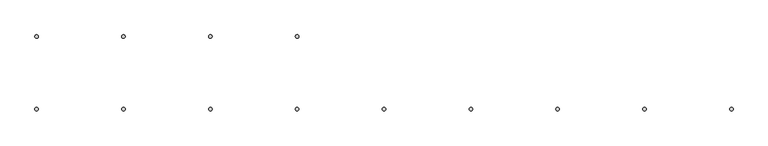
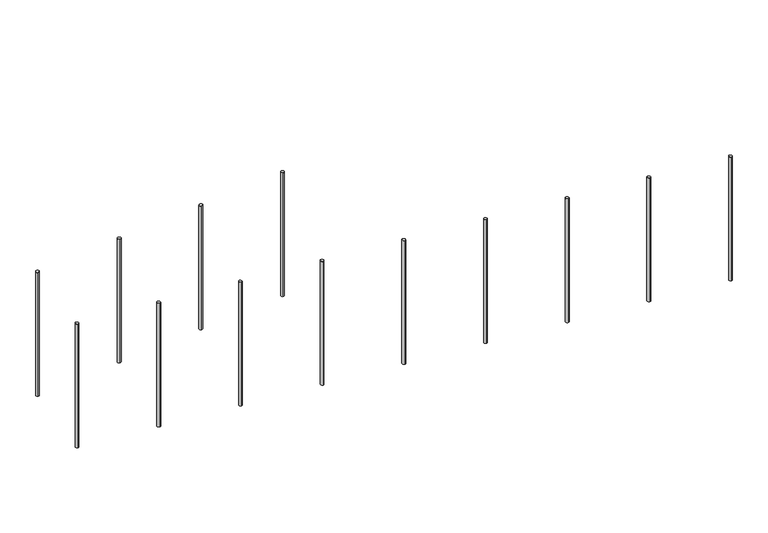
"""IFC4 building model written with IfcOpenShell, lengths in millimetres: railing geometry."""

from ifc_helpers import new_model, si_unit, frame, origin, place, context, project, spatial, ellipse_curve, source, transform, mapped, element, save
from ifc_brep_helpers import plane_surface, cylinder_surface, advanced_brep


def railing_0aabc226(model_context):
    return source(origin(), model_context, "Body", "AdvancedBrep", [
        advanced_brep(
        [(-23785.2208066, -19788.0361539, 219.8722041), (-23785.2208066, -19808.0361539, 219.8722041), (-23785.2208066, -19808.0361539, -580.0), (-23785.2208066, -19788.0361539, -580.0)],
        [
            (0, 1, ellipse_curve(frame((-23785.2208066, -19798.0361539, 219.8722041), z_axis=(0.07974522228288877, 0.0, -0.9968152785361252), x_axis=(0.9968152785361252, 0.0, 0.07974522228288722)), 10.031949, 10.0)),
            (1, 2),
            (2, 3, ellipse_curve(frame((-23785.2208066, -19798.0361539, -580.0), z_axis=(-0.07974522228288976, 0.0, 0.9968152785361251), x_axis=(0.9968152785361251, 0.0, 0.07974522228288902)), 10.031949, 10.0)),
            (3, 0),
            (3, 2, ellipse_curve(frame((-23785.2208066, -19798.0361539, -580.0), z_axis=(-0.07974522228288976, 0.0, 0.9968152785361251), x_axis=(0.9968152785361251, 0.0, 0.07974522228288902)), 10.031949, 10.0)),
            (1, 0, ellipse_curve(frame((-23785.2208066, -19798.0361539, 219.8722041), z_axis=(0.07974522228288877, 0.0, -0.9968152785361252), x_axis=(0.9968152785361252, 0.0, 0.07974522228288722)), 10.031949, 10.0)),
        ],
        [
            cylinder_surface(frame((-23785.2208066, -19798.0361539, -680.0), z_axis=(0.0, 0.0, 1.0), x_axis=(0.0, -1.0, 0.0)), 10.0),
            plane_surface(frame((-23765.2208066, -19818.0361539, 221.4722041), z_axis=(-0.07974522228288877, 0.0, 0.9968152785361252), x_axis=(0.0, 1.0, 0.0))),
            plane_surface(frame((-23805.2208066, -19818.0361539, -581.6), z_axis=(0.07974522228288976, 0.0, -0.9968152785361251), x_axis=(0.0, 1.0, 0.0))),
        ],
        [
            (0, [[1, 2, 3, 4]]),
            (0, [[5, -2, 6, -4]]),
            (1, [[-6, -1]]),
            (2, [[-5, -3]]),
        ],
    ),
        advanced_brep(
        [(-24285.2208066, -19788.0361539, 179.8722041), (-24285.2208066, -19808.0361539, 179.8722041), (-24285.2208066, -19808.0361539, -620.0), (-24285.2208066, -19788.0361539, -620.0)],
        [
            (0, 1, ellipse_curve(frame((-24285.2208066, -19798.0361539, 179.8722041), z_axis=(0.07974522228288877, 0.0, -0.9968152785361252), x_axis=(0.9968152785361252, 0.0, 0.07974522228288722)), 10.031949, 10.0)),
            (1, 2),
            (2, 3, ellipse_curve(frame((-24285.2208066, -19798.0361539, -620.0), z_axis=(-0.07974522228288976, 0.0, 0.9968152785361251), x_axis=(0.9968152785361251, 0.0, 0.07974522228288902)), 10.031949, 10.0)),
            (3, 0),
            (3, 2, ellipse_curve(frame((-24285.2208066, -19798.0361539, -620.0), z_axis=(-0.07974522228288976, 0.0, 0.9968152785361251), x_axis=(0.9968152785361251, 0.0, 0.07974522228288902)), 10.031949, 10.0)),
            (1, 0, ellipse_curve(frame((-24285.2208066, -19798.0361539, 179.8722041), z_axis=(0.07974522228288877, 0.0, -0.9968152785361252), x_axis=(0.9968152785361252, 0.0, 0.07974522228288722)), 10.031949, 10.0)),
        ],
        [
            cylinder_surface(frame((-24285.2208066, -19798.0361539, -720.0), z_axis=(0.0, 0.0, 1.0), x_axis=(0.0, -1.0, 0.0)), 10.0),
            plane_surface(frame((-24265.2208066, -19818.0361539, 181.4722041), z_axis=(-0.07974522228288877, 0.0, 0.9968152785361252), x_axis=(0.0, 1.0, 0.0))),
            plane_surface(frame((-24305.2208066, -19818.0361539, -621.6), z_axis=(0.07974522228288976, 0.0, -0.9968152785361251), x_axis=(0.0, 1.0, 0.0))),
        ],
        [
            (0, [[1, 2, 3, 4]]),
            (0, [[5, -2, 6, -4]]),
            (1, [[-6, -1]]),
            (2, [[-5, -3]]),
        ],
    ),
        advanced_brep(
        [(-24785.2208066, -19788.0361539, 139.8722041), (-24785.2208066, -19808.0361539, 139.8722041), (-24785.2208066, -19808.0361539, -660.0), (-24785.2208066, -19788.0361539, -660.0)],
        [
            (0, 1, ellipse_curve(frame((-24785.2208066, -19798.0361539, 139.8722041), z_axis=(0.07974522228288877, 0.0, -0.9968152785361252), x_axis=(0.9968152785361252, 0.0, 0.07974522228288722)), 10.031949, 10.0)),
            (1, 2),
            (2, 3, ellipse_curve(frame((-24785.2208066, -19798.0361539, -660.0), z_axis=(-0.07974522228288976, 0.0, 0.9968152785361251), x_axis=(0.9968152785361251, 0.0, 0.07974522228288902)), 10.031949, 10.0)),
            (3, 0),
            (3, 2, ellipse_curve(frame((-24785.2208066, -19798.0361539, -660.0), z_axis=(-0.07974522228288976, 0.0, 0.9968152785361251), x_axis=(0.9968152785361251, 0.0, 0.07974522228288902)), 10.031949, 10.0)),
            (1, 0, ellipse_curve(frame((-24785.2208066, -19798.0361539, 139.8722041), z_axis=(0.07974522228288877, 0.0, -0.9968152785361252), x_axis=(0.9968152785361252, 0.0, 0.07974522228288722)), 10.031949, 10.0)),
        ],
        [
            cylinder_surface(frame((-24785.2208066, -19798.0361539, -760.0), z_axis=(0.0, 0.0, 1.0), x_axis=(0.0, -1.0, 0.0)), 10.0),
            plane_surface(frame((-24765.2208066, -19818.0361539, 141.4722041), z_axis=(-0.07974522228288877, 0.0, 0.9968152785361252), x_axis=(0.0, 1.0, 0.0))),
            plane_surface(frame((-24805.2208066, -19818.0361539, -661.6), z_axis=(0.07974522228288976, 0.0, -0.9968152785361251), x_axis=(0.0, 1.0, 0.0))),
        ],
        [
            (0, [[1, 2, 3, 4]]),
            (0, [[5, -2, 6, -4]]),
            (1, [[-6, -1]]),
            (2, [[-5, -3]]),
        ],
    ),
        advanced_brep(
        [(-25285.2208066, -19788.0361539, 99.8722041), (-25285.2208066, -19808.0361539, 99.8722041), (-25285.2208066, -19808.0361539, -700.0), (-25285.2208066, -19788.0361539, -700.0)],
        [
            (0, 1, ellipse_curve(frame((-25285.2208066, -19798.0361539, 99.8722041), z_axis=(0.07974522228288877, 0.0, -0.9968152785361252), x_axis=(0.9968152785361252, 0.0, 0.07974522228288722)), 10.031949, 10.0)),
            (1, 2),
            (2, 3, ellipse_curve(frame((-25285.2208066, -19798.0361539, -700.0), z_axis=(-0.07974522228288976, 0.0, 0.9968152785361251), x_axis=(0.9968152785361251, 0.0, 0.07974522228288902)), 10.031949, 10.0)),
            (3, 0),
            (3, 2, ellipse_curve(frame((-25285.2208066, -19798.0361539, -700.0), z_axis=(-0.07974522228288976, 0.0, 0.9968152785361251), x_axis=(0.9968152785361251, 0.0, 0.07974522228288902)), 10.031949, 10.0)),
            (1, 0, ellipse_curve(frame((-25285.2208066, -19798.0361539, 99.8722041), z_axis=(0.07974522228288877, 0.0, -0.9968152785361252), x_axis=(0.9968152785361252, 0.0, 0.07974522228288722)), 10.031949, 10.0)),
        ],
        [
            cylinder_surface(frame((-25285.2208066, -19798.0361539, -800.0), z_axis=(0.0, 0.0, 1.0), x_axis=(0.0, -1.0, 0.0)), 10.0),
            plane_surface(frame((-25265.2208066, -19818.0361539, 101.4722041), z_axis=(-0.07974522228288877, 0.0, 0.9968152785361252), x_axis=(0.0, 1.0, 0.0))),
            plane_surface(frame((-25305.2208066, -19818.0361539, -701.6), z_axis=(0.07974522228288976, 0.0, -0.9968152785361251), x_axis=(0.0, 1.0, 0.0))),
        ],
        [
            (0, [[1, 2, 3, 4]]),
            (0, [[5, -2, 6, -4]]),
            (1, [[-6, -1]]),
            (2, [[-5, -3]]),
        ],
    ),
        advanced_brep(
        [(-25285.2208066, -20227.3113636, 19.8722041), (-25285.2208066, -20207.3113636, 19.8722041), (-25285.2208066, -20207.3113636, -780.0), (-25285.2208066, -20227.3113636, -780.0)],
        [
            (0, 1, ellipse_curve(frame((-25285.2208066, -20217.3113636, 19.8722041), z_axis=(-0.07974522228288877, 0.0, -0.9968152785361252), x_axis=(-0.9968152785361252, 0.0, 0.07974522228288722)), 10.031949, 10.0)),
            (1, 2),
            (2, 3, ellipse_curve(frame((-25285.2208066, -20217.3113636, -780.0), z_axis=(0.07974522228288976, 0.0, 0.9968152785361251), x_axis=(-0.9968152785361251, 0.0, 0.07974522228288902)), 10.031949, 10.0)),
            (3, 0),
            (3, 2, ellipse_curve(frame((-25285.2208066, -20217.3113636, -780.0), z_axis=(0.07974522228288976, 0.0, 0.9968152785361251), x_axis=(-0.9968152785361251, 0.0, 0.07974522228288902)), 10.031949, 10.0)),
            (1, 0, ellipse_curve(frame((-25285.2208066, -20217.3113636, 19.8722041), z_axis=(-0.07974522228288877, 0.0, -0.9968152785361252), x_axis=(-0.9968152785361252, 0.0, 0.07974522228288722)), 10.031949, 10.0)),
        ],
        [
            cylinder_surface(frame((-25285.2208066, -20217.3113636, -880.0), z_axis=(0.0, 0.0, 1.0), x_axis=(0.0, 1.0, 0.0)), 10.0),
            plane_surface(frame((-25305.2208066, -20197.3113636, 21.4722041), z_axis=(0.07974522228288877, 0.0, 0.9968152785361252), x_axis=(0.0, -1.0, 0.0))),
            plane_surface(frame((-25265.2208066, -20197.3113636, -781.6), z_axis=(-0.07974522228288976, 0.0, -0.9968152785361251), x_axis=(0.0, -1.0, 0.0))),
        ],
        [
            (0, [[1, 2, 3, 4]]),
            (0, [[5, -2, 6, -4]]),
            (1, [[-6, -1]]),
            (2, [[-5, -3]]),
        ],
    ),
        advanced_brep(
        [(-24785.2208066, -20227.3113636, -20.1277959), (-24785.2208066, -20207.3113636, -20.1277959), (-24785.2208066, -20207.3113636, -820.0), (-24785.2208066, -20227.3113636, -820.0)],
        [
            (0, 1, ellipse_curve(frame((-24785.2208066, -20217.3113636, -20.1277959), z_axis=(-0.07974522228288877, 0.0, -0.9968152785361252), x_axis=(-0.9968152785361252, 0.0, 0.07974522228288722)), 10.031949, 10.0)),
            (1, 2),
            (2, 3, ellipse_curve(frame((-24785.2208066, -20217.3113636, -820.0), z_axis=(0.07974522228288976, 0.0, 0.9968152785361251), x_axis=(-0.9968152785361251, 0.0, 0.07974522228288902)), 10.031949, 10.0)),
            (3, 0),
            (3, 2, ellipse_curve(frame((-24785.2208066, -20217.3113636, -820.0), z_axis=(0.07974522228288976, 0.0, 0.9968152785361251), x_axis=(-0.9968152785361251, 0.0, 0.07974522228288902)), 10.031949, 10.0)),
            (1, 0, ellipse_curve(frame((-24785.2208066, -20217.3113636, -20.1277959), z_axis=(-0.07974522228288877, 0.0, -0.9968152785361252), x_axis=(-0.9968152785361252, 0.0, 0.07974522228288722)), 10.031949, 10.0)),
        ],
        [
            cylinder_surface(frame((-24785.2208066, -20217.3113636, -920.0), z_axis=(0.0, 0.0, 1.0), x_axis=(0.0, 1.0, 0.0)), 10.0),
            plane_surface(frame((-24805.2208066, -20197.3113636, -18.5277959), z_axis=(0.07974522228288877, 0.0, 0.9968152785361252), x_axis=(0.0, -1.0, 0.0))),
            plane_surface(frame((-24765.2208066, -20197.3113636, -821.6), z_axis=(-0.07974522228288976, 0.0, -0.9968152785361251), x_axis=(0.0, -1.0, 0.0))),
        ],
        [
            (0, [[1, 2, 3, 4]]),
            (0, [[5, -2, 6, -4]]),
            (1, [[-6, -1]]),
            (2, [[-5, -3]]),
        ],
    ),
        advanced_brep(
        [(-24285.2208066, -20227.3113636, -60.1277959), (-24285.2208066, -20207.3113636, -60.1277959), (-24285.2208066, -20207.3113636, -860.0), (-24285.2208066, -20227.3113636, -860.0)],
        [
            (0, 1, ellipse_curve(frame((-24285.2208066, -20217.3113636, -60.1277959), z_axis=(-0.07974522228288877, 0.0, -0.9968152785361252), x_axis=(-0.9968152785361252, 0.0, 0.07974522228288722)), 10.031949, 10.0)),
            (1, 2),
            (2, 3, ellipse_curve(frame((-24285.2208066, -20217.3113636, -860.0), z_axis=(0.07974522228288976, 0.0, 0.9968152785361251), x_axis=(-0.9968152785361251, 0.0, 0.07974522228288902)), 10.031949, 10.0)),
            (3, 0),
            (3, 2, ellipse_curve(frame((-24285.2208066, -20217.3113636, -860.0), z_axis=(0.07974522228288976, 0.0, 0.9968152785361251), x_axis=(-0.9968152785361251, 0.0, 0.07974522228288902)), 10.031949, 10.0)),
            (1, 0, ellipse_curve(frame((-24285.2208066, -20217.3113636, -60.1277959), z_axis=(-0.07974522228288877, 0.0, -0.9968152785361252), x_axis=(-0.9968152785361252, 0.0, 0.07974522228288722)), 10.031949, 10.0)),
        ],
        [
            cylinder_surface(frame((-24285.2208066, -20217.3113636, -960.0), z_axis=(0.0, 0.0, 1.0), x_axis=(0.0, 1.0, 0.0)), 10.0),
            plane_surface(frame((-24305.2208066, -20197.3113636, -58.5277959), z_axis=(0.07974522228288877, 0.0, 0.9968152785361252), x_axis=(0.0, -1.0, 0.0))),
            plane_surface(frame((-24265.2208066, -20197.3113636, -861.6), z_axis=(-0.07974522228288976, 0.0, -0.9968152785361251), x_axis=(0.0, -1.0, 0.0))),
        ],
        [
            (0, [[1, 2, 3, 4]]),
            (0, [[5, -2, 6, -4]]),
            (1, [[-6, -1]]),
            (2, [[-5, -3]]),
        ],
    ),
        advanced_brep(
        [(-23785.2208066, -20227.3113636, -100.1277959), (-23785.2208066, -20207.3113636, -100.1277959), (-23785.2208066, -20207.3113636, -900.0), (-23785.2208066, -20227.3113636, -900.0)],
        [
            (0, 1, ellipse_curve(frame((-23785.2208066, -20217.3113636, -100.1277959), z_axis=(-0.07974522228288877, 0.0, -0.9968152785361252), x_axis=(-0.9968152785361252, 0.0, 0.07974522228288722)), 10.031949, 10.0)),
            (1, 2),
            (2, 3, ellipse_curve(frame((-23785.2208066, -20217.3113636, -900.0), z_axis=(0.07974522228288976, 0.0, 0.9968152785361251), x_axis=(-0.9968152785361251, 0.0, 0.07974522228288902)), 10.031949, 10.0)),
            (3, 0),
            (3, 2, ellipse_curve(frame((-23785.2208066, -20217.3113636, -900.0), z_axis=(0.07974522228288976, 0.0, 0.9968152785361251), x_axis=(-0.9968152785361251, 0.0, 0.07974522228288902)), 10.031949, 10.0)),
            (1, 0, ellipse_curve(frame((-23785.2208066, -20217.3113636, -100.1277959), z_axis=(-0.07974522228288877, 0.0, -0.9968152785361252), x_axis=(-0.9968152785361252, 0.0, 0.07974522228288722)), 10.031949, 10.0)),
        ],
        [
            cylinder_surface(frame((-23785.2208066, -20217.3113636, -1000.0), z_axis=(0.0, 0.0, 1.0), x_axis=(0.0, 1.0, 0.0)), 10.0),
            plane_surface(frame((-23805.2208066, -20197.3113636, -98.5277959), z_axis=(0.07974522228288877, 0.0, 0.9968152785361252), x_axis=(0.0, -1.0, 0.0))),
            plane_surface(frame((-23765.2208066, -20197.3113636, -901.6), z_axis=(-0.07974522228288976, 0.0, -0.9968152785361251), x_axis=(0.0, -1.0, 0.0))),
        ],
        [
            (0, [[1, 2, 3, 4]]),
            (0, [[5, -2, 6, -4]]),
            (1, [[-6, -1]]),
            (2, [[-5, -3]]),
        ],
    ),
        advanced_brep(
        [(-23285.2208066, -20227.3113636, -140.1277959), (-23285.2208066, -20207.3113636, -140.1277959), (-23285.2208066, -20207.3113636, -940.0), (-23285.2208066, -20227.3113636, -940.0)],
        [
            (0, 1, ellipse_curve(frame((-23285.2208066, -20217.3113636, -140.1277959), z_axis=(-0.07974522228288877, 0.0, -0.9968152785361252), x_axis=(-0.9968152785361252, 0.0, 0.07974522228288722)), 10.031949, 10.0)),
            (1, 2),
            (2, 3, ellipse_curve(frame((-23285.2208066, -20217.3113636, -940.0), z_axis=(0.07974522228288976, 0.0, 0.9968152785361251), x_axis=(-0.9968152785361251, 0.0, 0.07974522228288902)), 10.031949, 10.0)),
            (3, 0),
            (3, 2, ellipse_curve(frame((-23285.2208066, -20217.3113636, -940.0), z_axis=(0.07974522228288976, 0.0, 0.9968152785361251), x_axis=(-0.9968152785361251, 0.0, 0.07974522228288902)), 10.031949, 10.0)),
            (1, 0, ellipse_curve(frame((-23285.2208066, -20217.3113636, -140.1277959), z_axis=(-0.07974522228288877, 0.0, -0.9968152785361252), x_axis=(-0.9968152785361252, 0.0, 0.07974522228288722)), 10.031949, 10.0)),
        ],
        [
            cylinder_surface(frame((-23285.2208066, -20217.3113636, -1040.0), z_axis=(0.0, 0.0, 1.0), x_axis=(0.0, 1.0, 0.0)), 10.0),
            plane_surface(frame((-23305.2208066, -20197.3113636, -138.5277959), z_axis=(0.07974522228288877, 0.0, 0.9968152785361252), x_axis=(0.0, -1.0, 0.0))),
            plane_surface(frame((-23265.2208066, -20197.3113636, -941.6), z_axis=(-0.07974522228288976, 0.0, -0.9968152785361251), x_axis=(0.0, -1.0, 0.0))),
        ],
        [
            (0, [[1, 2, 3, 4]]),
            (0, [[5, -2, 6, -4]]),
            (1, [[-6, -1]]),
            (2, [[-5, -3]]),
        ],
    ),
        advanced_brep(
        [(-22785.2208066, -20227.3113636, -180.1277959), (-22785.2208066, -20207.3113636, -180.1277959), (-22785.2208066, -20207.3113636, -980.0), (-22785.2208066, -20227.3113636, -980.0)],
        [
            (0, 1, ellipse_curve(frame((-22785.2208066, -20217.3113636, -180.1277959), z_axis=(-0.07974522228288877, 0.0, -0.9968152785361252), x_axis=(-0.9968152785361252, 0.0, 0.07974522228288722)), 10.031949, 10.0)),
            (1, 2),
            (2, 3, ellipse_curve(frame((-22785.2208066, -20217.3113636, -980.0), z_axis=(0.07974522228288976, 0.0, 0.9968152785361251), x_axis=(-0.9968152785361251, 0.0, 0.07974522228288902)), 10.031949, 10.0)),
            (3, 0),
            (3, 2, ellipse_curve(frame((-22785.2208066, -20217.3113636, -980.0), z_axis=(0.07974522228288976, 0.0, 0.9968152785361251), x_axis=(-0.9968152785361251, 0.0, 0.07974522228288902)), 10.031949, 10.0)),
            (1, 0, ellipse_curve(frame((-22785.2208066, -20217.3113636, -180.1277959), z_axis=(-0.07974522228288877, 0.0, -0.9968152785361252), x_axis=(-0.9968152785361252, 0.0, 0.07974522228288722)), 10.031949, 10.0)),
        ],
        [
            cylinder_surface(frame((-22785.2208066, -20217.3113636, -1080.0), z_axis=(0.0, 0.0, 1.0), x_axis=(0.0, 1.0, 0.0)), 10.0),
            plane_surface(frame((-22805.2208066, -20197.3113636, -178.5277959), z_axis=(0.07974522228288877, 0.0, 0.9968152785361252), x_axis=(0.0, -1.0, 0.0))),
            plane_surface(frame((-22765.2208066, -20197.3113636, -981.6), z_axis=(-0.07974522228288976, 0.0, -0.9968152785361251), x_axis=(0.0, -1.0, 0.0))),
        ],
        [
            (0, [[1, 2, 3, 4]]),
            (0, [[5, -2, 6, -4]]),
            (1, [[-6, -1]]),
            (2, [[-5, -3]]),
        ],
    ),
        advanced_brep(
        [(-22285.2208066, -20227.3113636, -220.1277959), (-22285.2208066, -20207.3113636, -220.1277959), (-22285.2208066, -20207.3113636, -1020.0), (-22285.2208066, -20227.3113636, -1020.0)],
        [
            (0, 1, ellipse_curve(frame((-22285.2208066, -20217.3113636, -220.1277959), z_axis=(-0.07974522228288877, 0.0, -0.9968152785361252), x_axis=(-0.9968152785361252, 0.0, 0.07974522228288722)), 10.031949, 10.0)),
            (1, 2),
            (2, 3, ellipse_curve(frame((-22285.2208066, -20217.3113636, -1020.0), z_axis=(0.07974522228288976, 0.0, 0.9968152785361251), x_axis=(-0.9968152785361251, 0.0, 0.07974522228288902)), 10.031949, 10.0)),
            (3, 0),
            (3, 2, ellipse_curve(frame((-22285.2208066, -20217.3113636, -1020.0), z_axis=(0.07974522228288976, 0.0, 0.9968152785361251), x_axis=(-0.9968152785361251, 0.0, 0.07974522228288902)), 10.031949, 10.0)),
            (1, 0, ellipse_curve(frame((-22285.2208066, -20217.3113636, -220.1277959), z_axis=(-0.07974522228288877, 0.0, -0.9968152785361252), x_axis=(-0.9968152785361252, 0.0, 0.07974522228288722)), 10.031949, 10.0)),
        ],
        [
            cylinder_surface(frame((-22285.2208066, -20217.3113636, -1120.0), z_axis=(0.0, 0.0, 1.0), x_axis=(0.0, 1.0, 0.0)), 10.0),
            plane_surface(frame((-22305.2208066, -20197.3113636, -218.5277959), z_axis=(0.07974522228288877, 0.0, 0.9968152785361252), x_axis=(0.0, -1.0, 0.0))),
            plane_surface(frame((-22265.2208066, -20197.3113636, -1021.6), z_axis=(-0.07974522228288976, 0.0, -0.9968152785361251), x_axis=(0.0, -1.0, 0.0))),
        ],
        [
            (0, [[1, 2, 3, 4]]),
            (0, [[5, -2, 6, -4]]),
            (1, [[-6, -1]]),
            (2, [[-5, -3]]),
        ],
    ),
        advanced_brep(
        [(-21785.2208066, -20227.3113636, -260.1277959), (-21785.2208066, -20207.3113636, -260.1277959), (-21785.2208066, -20207.3113636, -1060.0), (-21785.2208066, -20227.3113636, -1060.0)],
        [
            (0, 1, ellipse_curve(frame((-21785.2208066, -20217.3113636, -260.1277959), z_axis=(-0.07974522228288877, 0.0, -0.9968152785361252), x_axis=(-0.9968152785361252, 0.0, 0.07974522228288722)), 10.031949, 10.0)),
            (1, 2),
            (2, 3, ellipse_curve(frame((-21785.2208066, -20217.3113636, -1060.0), z_axis=(0.07974522228288976, 0.0, 0.9968152785361251), x_axis=(-0.9968152785361251, 0.0, 0.07974522228288902)), 10.031949, 10.0)),
            (3, 0),
            (3, 2, ellipse_curve(frame((-21785.2208066, -20217.3113636, -1060.0), z_axis=(0.07974522228288976, 0.0, 0.9968152785361251), x_axis=(-0.9968152785361251, 0.0, 0.07974522228288902)), 10.031949, 10.0)),
            (1, 0, ellipse_curve(frame((-21785.2208066, -20217.3113636, -260.1277959), z_axis=(-0.07974522228288877, 0.0, -0.9968152785361252), x_axis=(-0.9968152785361252, 0.0, 0.07974522228288722)), 10.031949, 10.0)),
        ],
        [
            cylinder_surface(frame((-21785.2208066, -20217.3113636, -1160.0), z_axis=(0.0, 0.0, 1.0), x_axis=(0.0, 1.0, 0.0)), 10.0),
            plane_surface(frame((-21805.2208066, -20197.3113636, -258.5277959), z_axis=(0.07974522228288877, 0.0, 0.9968152785361252), x_axis=(0.0, -1.0, 0.0))),
            plane_surface(frame((-21765.2208066, -20197.3113636, -1061.6), z_axis=(-0.07974522228288976, 0.0, -0.9968152785361251), x_axis=(0.0, -1.0, 0.0))),
        ],
        [
            (0, [[1, 2, 3, 4]]),
            (0, [[5, -2, 6, -4]]),
            (1, [[-6, -1]]),
            (2, [[-5, -3]]),
        ],
    ),
        advanced_brep(
        [(-21285.2208066, -20227.3113636, -300.1277959), (-21285.2208066, -20207.3113636, -300.1277959), (-21285.2208066, -20207.3113636, -1100.0), (-21285.2208066, -20227.3113636, -1100.0)],
        [
            (0, 1, ellipse_curve(frame((-21285.2208066, -20217.3113636, -300.1277959), z_axis=(-0.07974522228288877, 0.0, -0.9968152785361252), x_axis=(-0.9968152785361252, 0.0, 0.07974522228288722)), 10.031949, 10.0)),
            (1, 2),
            (2, 3, ellipse_curve(frame((-21285.2208066, -20217.3113636, -1100.0), z_axis=(0.07974522228288976, 0.0, 0.9968152785361251), x_axis=(-0.9968152785361251, 0.0, 0.07974522228288902)), 10.031949, 10.0)),
            (3, 0),
            (3, 2, ellipse_curve(frame((-21285.2208066, -20217.3113636, -1100.0), z_axis=(0.07974522228288976, 0.0, 0.9968152785361251), x_axis=(-0.9968152785361251, 0.0, 0.07974522228288902)), 10.031949, 10.0)),
            (1, 0, ellipse_curve(frame((-21285.2208066, -20217.3113636, -300.1277959), z_axis=(-0.07974522228288877, 0.0, -0.9968152785361252), x_axis=(-0.9968152785361252, 0.0, 0.07974522228288722)), 10.031949, 10.0)),
        ],
        [
            cylinder_surface(frame((-21285.2208066, -20217.3113636, -1200.0), z_axis=(0.0, 0.0, 1.0), x_axis=(0.0, 1.0, 0.0)), 10.0),
            plane_surface(frame((-21305.2208066, -20197.3113636, -298.5277959), z_axis=(0.07974522228288877, 0.0, 0.9968152785361252), x_axis=(0.0, -1.0, 0.0))),
            plane_surface(frame((-21265.2208066, -20197.3113636, -1101.6), z_axis=(-0.07974522228288976, 0.0, -0.9968152785361251), x_axis=(0.0, -1.0, 0.0))),
        ],
        [
            (0, [[1, 2, 3, 4]]),
            (0, [[5, -2, 6, -4]]),
            (1, [[-6, -1]]),
            (2, [[-5, -3]]),
        ],
    ),
    ])


if __name__ == "__main__":
    model = new_model("IFC4")
    model_context = context("Model", 3, world=origin())
    ifc_project = project(units=[si_unit("LENGTHUNIT", "METRE", prefix="MILLI")], contexts=[model_context])
    site = spatial("IfcSite", under=ifc_project)
    building = spatial("IfcBuilding", under=site)
    placement = place(None, origin())
    railing_shape = railing_0aabc226(model_context)
    element("IfcRailing", 1, at=placement, inside=building, context=model_context, shape_type="MappedRepresentation", body=[
        mapped(railing_shape, transform((0.0, 0.0, 0.0), x_axis=(1.0, 0.0, 0.0), y_axis=(0.0, 1.0, 0.0), z_axis=(0.0, 0.0, 1.0))),
    ])
    save(model, "model.ifc")
